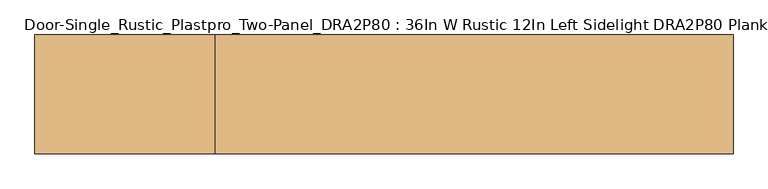
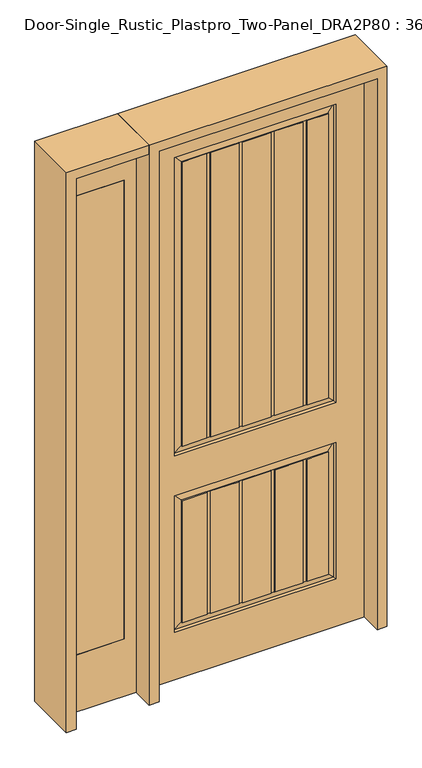
"""IFC4 building model written with IfcOpenShell, lengths in millimetres: door geometry, Door-Single_Rustic_Plastpro_Two-Panel_DRA2P80 : 36In W Rustic 12In Left Sidelight DRA2P80 Plank 96In."""

from ifc_helpers import new_model, si_unit, frame, origin, place, context, project, spatial, polyline, outline, extrude, faceted_brep, source, transform, mapped, element, save


def door_single_rustic_plastpro_two_panel_dra2p80_36in_w_rustic_3067e540(model_context):
    return source(origin(), model_context, "Body", "SolidModel", [
        extrude(outline(polyline([(0.0, -803.275), (0.0, -498.475), (2438.4, -498.475), (2438.4, -803.275), (0.0, -803.275)]), holes=[polyline([(2286.0, -549.275), (254.0, -549.275), (254.0, -752.475), (2286.0, -752.475), (2286.0, -549.275)])]), frame((0.0, -20.6375, 0.0), z_axis=(0.0, 1.0, 0.0), x_axis=(0.0, 0.0, 1.0)), (0.0, 0.0, 1.0), 41.275),
        extrude(outline(polyline([(-549.275, -20.6375), (-752.475, -20.6375), (-752.475, 20.6375), (-549.275, 20.6375), (-549.275, -20.6375)])), frame((0.0, 0.0, 254.0), z_axis=(0.0, 0.0, 1.0), x_axis=(1.0, 0.0, 0.0)), (0.0, 0.0, 1.0), 2032.0),
        faceted_brep([(457.2, 20.6375, 0.0), (-457.2, 20.6375, 0.0), (-457.2, 20.6375, 2438.4), (457.2, 20.6375, 2438.4), (-338.1375, 20.6375, 990.6), (338.1375, 20.6375, 990.6), (338.1375, 20.6375, 2311.4), (-338.1375, 20.6375, 2311.4), (-338.1375, 20.6375, 209.55), (338.1375, 20.6375, 209.55), (338.1375, 20.6375, 812.8), (-338.1375, 20.6375, 812.8), (201.36158, 20.6375, 781.59283), (201.36158, 20.6375, 240.75717), (82.4002142, 20.6375, 240.75717), (82.4002142, 20.6375, 781.59283), (216.6412675, 20.6375, 240.75717), (216.6412675, 20.6375, 781.59283), (306.93033, 20.6375, 781.59283), (306.93033, 20.6375, 240.75717), (-67.1205267, 20.6375, 781.59283), (-67.1205267, 20.6375, 240.75717), (-186.0818925, 20.6375, 240.75717), (-186.0818925, 20.6375, 781.59283), (-51.8408392, 20.6375, 240.75717), (-51.8408392, 20.6375, 781.59283), (67.1205267, 20.6375, 781.59283), (67.1205267, 20.6375, 240.75717), (201.36158, 20.6375, 2280.19283), (201.36158, 20.6375, 1021.80717), (82.4002142, 20.6375, 1021.80717), (82.4002142, 20.6375, 2280.19283), (216.6412675, 20.6375, 1021.80717), (216.6412675, 20.6375, 2280.19283), (306.93033, 20.6375, 2280.19283), (306.93033, 20.6375, 1021.80717), (-67.1205267, 20.6375, 2280.19283), (-67.1205267, 20.6375, 1021.80717), (-186.0818925, 20.6375, 1021.80717), (-186.0818925, 20.6375, 2280.19283), (-51.8408392, 20.6375, 1021.80717), (-51.8408392, 20.6375, 2280.19283), (67.1205267, 20.6375, 2280.19283), (67.1205267, 20.6375, 1021.80717), (-201.36158, 20.6375, 2280.19283), (-201.36158, 20.6375, 1021.80717), (-306.93033, 20.6375, 1021.80717), (-306.93033, 20.6375, 2280.19283), (-201.36158, 20.6375, 781.59283), (-201.36158, 20.6375, 240.75717), (-306.93033, 20.6375, 240.75717), (-306.93033, 20.6375, 781.59283), (457.2, -20.6375, 0.0), (-457.2, -20.6375, 0.0), (-457.2, -20.6375, 2438.4), (457.2, -20.6375, 2438.4), (338.1375, -20.6375, 990.6), (-338.1375, -20.6375, 990.6), (-338.1375, -20.6375, 2311.4), (338.1375, -20.6375, 2311.4), (338.1375, -20.6375, 209.55), (-338.1375, -20.6375, 209.55), (-338.1375, -20.6375, 812.8), (338.1375, -20.6375, 812.8), (201.36158, -20.6375, 240.75717), (201.36158, -20.6375, 781.59283), (82.4002142, -20.6375, 781.59283), (82.4002142, -20.6375, 240.75717), (216.6412675, -20.6375, 781.59283), (216.6412675, -20.6375, 240.75717), (306.93033, -20.6375, 240.75717), (306.93033, -20.6375, 781.59283), (-67.1205267, -20.6375, 240.75717), (-67.1205267, -20.6375, 781.59283), (-186.0818925, -20.6375, 781.59283), (-186.0818925, -20.6375, 240.75717), (-51.8408392, -20.6375, 781.59283), (-51.8408392, -20.6375, 240.75717), (67.1205267, -20.6375, 240.75717), (67.1205267, -20.6375, 781.59283), (201.36158, -20.6375, 1021.80717), (201.36158, -20.6375, 2280.19283), (82.005985, -20.6375, 2280.19283), (82.005985, -20.6375, 1021.80717), (216.6412675, -20.6375, 2280.19283), (216.6412675, -20.6375, 1021.80717), (306.93033, -20.6375, 1021.80717), (306.93033, -20.6375, 2280.19283), (-67.908985, -20.6375, 1021.80717), (-67.908985, -20.6375, 2280.19283), (-187.26458, -20.6375, 2280.19283), (-187.26458, -20.6375, 1021.80717), (-52.6292975, -20.6375, 2280.19283), (-52.6292975, -20.6375, 1021.80717), (66.7262975, -20.6375, 1021.80717), (66.7262975, -20.6375, 2280.19283), (-202.5442675, -20.6375, 1021.80717), (-202.5442675, -20.6375, 2280.19283), (-306.93033, -20.6375, 2280.19283), (-306.93033, -20.6375, 1021.80717), (-201.36158, -20.6375, 240.75717), (-201.36158, -20.6375, 781.59283), (-306.93033, -20.6375, 781.59283), (-306.93033, -20.6375, 240.75717), (201.36158, 17.4625, 781.59283), (201.36158, 17.4625, 240.75717), (82.4002142, 17.4625, 240.75717), (82.4002142, 17.4625, 781.59283), (216.6412675, 17.4625, 240.75717), (216.6412675, 17.4625, 781.59283), (-67.1205267, 17.4625, 781.59283), (-67.1205267, 17.4625, 240.75717), (-51.8408392, 17.4625, 240.75717), (-51.8408392, 17.4625, 781.59283), (67.1205267, 17.4625, 781.59283), (67.1205267, 17.4625, 240.75717), (201.36158, 17.4625, 2280.19283), (201.36158, 17.4625, 1021.80717), (82.4002142, 17.4625, 1021.80717), (82.4002142, 17.4625, 2280.19283), (216.6412675, 17.4625, 1021.80717), (216.6412675, 17.4625, 2280.19283), (-67.1205267, 17.4625, 2280.19283), (-67.1205267, 17.4625, 1021.80717), (-51.8408392, 17.4625, 1021.80717), (-51.8408392, 17.4625, 2280.19283), (67.1205267, 17.4625, 2280.19283), (67.1205267, 17.4625, 1021.80717), (201.36158, -17.4625, 240.75717), (201.36158, -17.4625, 781.59283), (82.4002142, -17.4625, 781.59283), (82.4002142, -17.4625, 240.75717), (216.6412675, -17.4625, 781.59283), (216.6412675, -17.4625, 240.75717), (-67.1205267, -17.4625, 240.75717), (-67.1205267, -17.4625, 781.59283), (-51.8408392, -17.4625, 781.59283), (-51.8408392, -17.4625, 240.75717), (67.1205267, -17.4625, 240.75717), (67.1205267, -17.4625, 781.59283), (201.36158, -17.4625, 1021.80717), (201.36158, -17.4625, 2280.19283), (82.005985, -17.4625, 2280.19283), (82.005985, -17.4625, 1021.80717), (216.6412675, -17.4625, 2280.19283), (216.6412675, -17.4625, 1021.80717), (-67.908985, -17.4625, 1021.80717), (-67.908985, -17.4625, 2280.19283), (-52.6292975, -17.4625, 2280.19283), (-52.6292975, -17.4625, 1021.80717), (66.7262975, -17.4625, 1021.80717), (66.7262975, -17.4625, 2280.19283), (306.93033, 16.4079106, 240.75717), (-306.93033, 16.4079106, 240.75717), (-201.36158, 17.4625, 240.75717), (-186.0818925, 17.4625, 240.75717), (306.93033, 16.4079106, 781.59283), (-186.0818925, 17.4625, 781.59283), (-201.36158, 17.4625, 781.59283), (-306.93033, 16.4079106, 781.59283), (306.93033, 16.4079106, 1021.80717), (-306.93033, 16.4079106, 1021.80717), (-201.36158, 17.4625, 1021.80717), (-186.0818925, 17.4625, 1021.80717), (306.93033, 16.4079106, 2280.19283), (-186.0818925, 17.4625, 2280.19283), (-333.918693, 11.1619043, 994.818807), (333.918693, 11.1619043, 994.818807), (333.918693, 11.1619043, 2307.181193), (-333.918693, 11.1619043, 2307.181193), (-333.918693, 11.1619043, 213.768807), (333.918693, 11.1619043, 213.768807), (333.918693, 11.1619043, 808.581193), (-333.918693, 11.1619043, 808.581193), (-201.36158, 17.4625, 2280.19283), (-306.93033, 16.4079106, 2280.19283), (306.93033, -16.4079106, 781.59283), (-306.93033, -16.4079106, 781.59283), (-201.36158, -17.4625, 781.59283), (-186.0818925, -17.4625, 781.59283), (-306.93033, -16.4079106, 240.75717), (306.93033, -16.4079106, 240.75717), (-186.0818925, -17.4625, 240.75717), (-201.36158, -17.4625, 240.75717), (-306.93033, -16.4079106, 1021.80717), (306.93033, -16.4079106, 1021.80717), (-187.26458, -17.4625, 1021.80717), (-202.5442675, -17.4625, 1021.80717), (306.93033, -16.4079106, 2280.19283), (-187.26458, -17.4625, 2280.19283), (333.918693, -11.1619043, 994.818807), (-333.918693, -11.1619043, 994.818807), (-333.918693, -11.1619043, 2307.181193), (333.918693, -11.1619043, 2307.181193), (333.918693, -11.1619043, 213.768807), (-333.918693, -11.1619043, 213.768807), (-333.918693, -11.1619043, 808.581193), (333.918693, -11.1619043, 808.581193), (-202.5442675, -17.4625, 2280.19283), (-306.93033, -16.4079106, 2280.19283)], [[[0, 1, 2, 3], [4, 5, 6, 7], [8, 9, 10, 11]], [[12, 13, 14, 15]], [[16, 17, 18, 19]], [[20, 21, 22, 23]], [[24, 25, 26, 27]], [[28, 29, 30, 31]], [[32, 33, 34, 35]], [[36, 37, 38, 39]], [[40, 41, 42, 43]], [[44, 45, 46, 47]], [[48, 49, 50, 51]], [[1, 0, 52, 53]], [[2, 1, 53, 54]], [[0, 3, 55, 52]], [[53, 52, 55, 54], [56, 57, 58, 59], [60, 61, 62, 63]], [[64, 65, 66, 67]], [[68, 69, 70, 71]], [[72, 73, 74, 75]], [[76, 77, 78, 79]], [[80, 81, 82, 83]], [[84, 85, 86, 87]], [[88, 89, 90, 91]], [[92, 93, 94, 95]], [[96, 97, 98, 99]], [[100, 101, 102, 103]], [[3, 2, 54, 55]], [[13, 12, 104, 105]], [[15, 14, 106, 107]], [[17, 16, 108, 109]], [[21, 20, 110, 111]], [[25, 24, 112, 113]], [[27, 26, 114, 115]], [[29, 28, 116, 117]], [[31, 30, 118, 119]], [[33, 32, 120, 121]], [[37, 36, 122, 123]], [[41, 40, 124, 125]], [[43, 42, 126, 127]], [[65, 64, 128, 129]], [[67, 66, 130, 131]], [[69, 68, 132, 133]], [[73, 72, 134, 135]], [[77, 76, 136, 137]], [[79, 78, 138, 139]], [[81, 80, 140, 141]], [[83, 82, 142, 143]], [[85, 84, 144, 145]], [[89, 88, 146, 147]], [[93, 92, 148, 149]], [[95, 94, 150, 151]], [[129, 128, 133, 132]], [[135, 134, 137, 136]], [[139, 138, 131, 130]], [[105, 104, 109, 108]], [[111, 110, 113, 112]], [[115, 114, 107, 106]], [[141, 140, 145, 144]], [[147, 146, 149, 148]], [[151, 150, 143, 142]], [[117, 116, 121, 120]], [[123, 122, 125, 124]], [[127, 126, 119, 118]], [[152, 153, 50, 49, 154, 155, 22, 21, 111, 112, 24, 27, 115, 106, 14, 13, 105, 108, 16, 19]], [[156, 18, 17, 109, 104, 12, 15, 107, 114, 26, 25, 113, 110, 20, 23, 157, 158, 48, 51, 159]], [[152, 19, 18, 156]], [[23, 22, 155, 157]], [[160, 161, 46, 45, 162, 163, 38, 37, 123, 124, 40, 43, 127, 118, 30, 29, 117, 120, 32, 35]], [[160, 35, 34, 164]], [[39, 38, 163, 165]], [[166, 167, 5, 4]], [[5, 167, 168, 6]], [[166, 4, 7, 169]], [[170, 171, 9, 8]], [[9, 171, 172, 10]], [[10, 172, 173, 11]], [[170, 8, 11, 173]], [[45, 44, 174, 162]], [[46, 161, 175, 47]], [[49, 48, 158, 154]], [[50, 153, 159, 51]], [[71, 176, 177, 102, 101, 178, 179, 74, 73, 135, 136, 76, 79, 139, 130, 66, 65, 129, 132, 68]], [[180, 181, 70, 69, 133, 128, 64, 67, 131, 138, 78, 77, 137, 134, 72, 75, 182, 183, 100, 103]], [[70, 181, 176, 71]], [[75, 74, 179, 182]], [[184, 185, 86, 85, 145, 140, 80, 83, 143, 150, 94, 93, 149, 146, 88, 91, 186, 187, 96, 99]], [[86, 185, 188, 87]], [[91, 90, 189, 186]], [[56, 190, 191, 57]], [[57, 191, 192, 58]], [[190, 56, 59, 193]], [[60, 194, 195, 61]], [[61, 195, 196, 62]], [[197, 63, 62, 196]], [[194, 60, 63, 197]], [[97, 96, 187, 198]], [[184, 99, 98, 199]], [[101, 100, 183, 178]], [[180, 103, 102, 177]], [[191, 190, 185, 184]], [[198, 187, 186, 189]], [[185, 190, 193, 188]], [[191, 184, 199, 192]], [[161, 160, 167, 166]], [[167, 160, 164, 168]], [[161, 166, 169, 175]], [[162, 174, 165, 163]], [[195, 194, 181, 180]], [[178, 183, 182, 179]], [[181, 194, 197, 176]], [[195, 180, 177, 196]], [[153, 152, 171, 170]], [[171, 152, 156, 172]], [[153, 170, 173, 159]], [[154, 158, 157, 155]], [[176, 197, 196, 177]], [[172, 156, 159, 173]], [[6, 168, 169, 7]], [[193, 59, 58, 192]], [[188, 193, 192, 199]], [[168, 164, 175, 169]], [[87, 188, 199, 98, 97, 198, 189, 90, 89, 147, 148, 92, 95, 151, 142, 82, 81, 141, 144, 84]], [[164, 34, 33, 121, 116, 28, 31, 119, 126, 42, 41, 125, 122, 36, 39, 165, 174, 44, 47, 175]]]),
        extrude(outline(polyline([(2438.4, -498.475), (2479.675, -498.475), (2479.675, -844.55), (0.0, -844.55), (0.0, -803.275), (2438.4, -803.275), (2438.4, -498.475)])), frame((0.0, -114.3, 0.0), z_axis=(0.0, 1.0, 0.0), x_axis=(0.0, 0.0, 1.0)), (0.0, 0.0, 1.0), 228.6),
        extrude(outline(polyline([(2479.675, -498.475), (0.0, -498.475), (0.0, -457.2), (2438.4, -457.2), (2438.4, 457.2), (0.0, 457.2), (0.0, 498.475), (2479.675, 498.475), (2479.675, -498.475)])), frame((0.0, -114.3, 0.0), z_axis=(0.0, 1.0, 0.0), x_axis=(0.0, 0.0, 1.0)), (0.0, 0.0, 1.0), 228.6),
    ])


if __name__ == "__main__":
    model = new_model("IFC4")
    model_context = context("Model", 3, world=origin())
    ifc_project = project(units=[si_unit("LENGTHUNIT", "METRE", prefix="MILLI")], contexts=[model_context])
    site = spatial("IfcSite", under=ifc_project)
    building = spatial("IfcBuilding", under=site)
    placement = place(None, origin())
    door_single_rustic_plastpro_two_panel_dra2p80_36in_w_rustic_shape = door_single_rustic_plastpro_two_panel_dra2p80_36in_w_rustic_3067e540(model_context)
    element("IfcDoor", 1, ObjectType="Door-Single_Rustic_Plastpro_Two-Panel_DRA2P80 : 36In W Rustic 12In Left Sidelight DRA2P80 Plank 96In", at=placement, inside=building, context=model_context, shape_type="MappedRepresentation", body=[
        mapped(door_single_rustic_plastpro_two_panel_dra2p80_36in_w_rustic_shape, transform((0.0, 0.0, 0.0), x_axis=(1.0, 0.0, 0.0), y_axis=(0.0, 1.0, 0.0), z_axis=(0.0, 0.0, 1.0))),
    ])
    save(model, "model.ifc")
